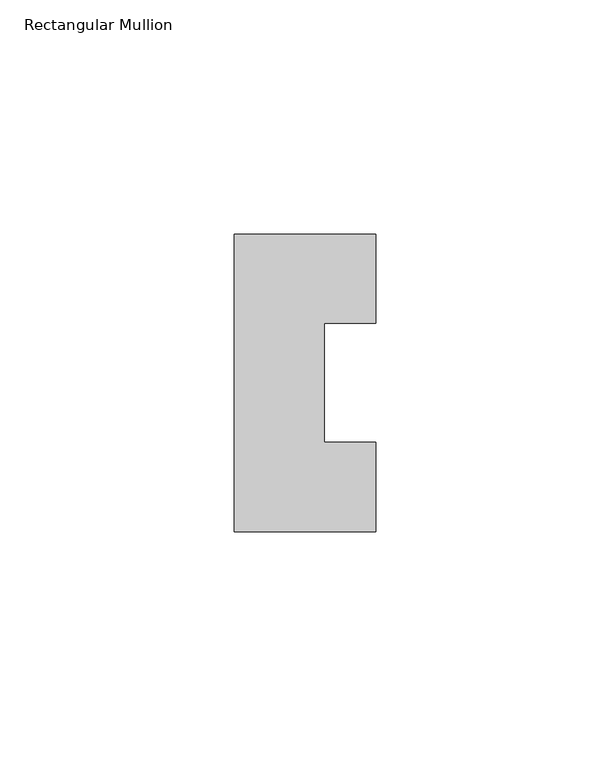
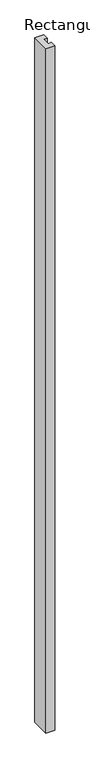
"""IFC4 building model written with IfcOpenShell, lengths in millimetres: member geometry, Rectangular Mullion."""

import ifcopenshell
import ifcopenshell.guid

model = None  # the IFC model being written
_history = None  # IfcOwnerHistory: only IFC2X3 demands one
_inside = {}  # id of a spatial element -> (the spatial element, [elements in it])
_under = {}  # id of a project, library or spatial element -> (it, [spatial elements below it])
_declared = {}  # id of a project -> (the project, [libraries it declares])
_typed = {}  # id of a type object -> (the type object, [elements of that type])
_made_of = {}  # id of a material, layer set ... -> (it, [elements and type objects made of it])


def new_model(schema):
    """Start an empty IFC model of exactly this schema.

    Asked for "IFC4X3", IfcOpenShell would pick the latest addendum, in which some entities
    have other attributes; the version numbers below select the first issue.
    IFC2X3 requires an IfcOwnerHistory on every rooted entity: one is made here for all.
    """
    global model, _history
    if schema == "IFC4X3":
        model = ifcopenshell.file(schema_version=(4, 3, 0, 0))
    else:
        model = ifcopenshell.file(schema=schema)
    _inside.clear()
    _under.clear()
    _declared.clear()
    _typed.clear()
    _made_of.clear()
    _history = None
    if model.schema == "IFC2X3":
        org = make("IfcOrganization", Name="unknown")
        user = make(
            "IfcPersonAndOrganization",
            ThePerson=make("IfcPerson", FamilyName="unknown"),
            TheOrganization=org,
        )
        app = make(
            "IfcApplication",
            ApplicationDeveloper=org,
            Version="unknown",
            ApplicationFullName="unknown",
            ApplicationIdentifier="unknown",
        )
        _history = make(
            "IfcOwnerHistory",
            OwningUser=user,
            OwningApplication=app,
            ChangeAction="ADDED",
            CreationDate=0,
        )
    return model


def make(cls, **values):
    """One entity of the class cls with the attributes given. An attribute that is None is left unset."""
    return model.create_entity(
        cls, **{name: value for name, value in values.items() if value is not None}
    )


def rooted(cls, **values):
    """An entity with a GlobalId (a new one), such as an element, a storey or a relation."""
    return make(cls, GlobalId=ifcopenshell.guid.new(), OwnerHistory=_history, **values)


def si_unit(unit_type, name, prefix=None):
    """IfcSIUnit, for example si_unit("LENGTHUNIT", "METRE", prefix="MILLI")."""
    return make("IfcSIUnit", UnitType=unit_type, Prefix=prefix, Name=name)


def assignment(units):
    """IfcUnitAssignment: the units of a project."""
    return None if units is None else make("IfcUnitAssignment", Units=units)


def point(xyz):
    """IfcCartesianPoint."""
    return None if xyz is None else make("IfcCartesianPoint", Coordinates=xyz)


def direction(xyz):
    """IfcDirection."""
    return None if xyz is None else make("IfcDirection", DirectionRatios=xyz)


def frame(location, z_axis=None, x_axis=None):
    """IfcAxis2Placement3D, a coordinate frame: its origin and axes. An axis left out is left unset."""
    return make(
        "IfcAxis2Placement3D",
        Location=point(location),
        Axis=direction(z_axis),
        RefDirection=direction(x_axis),
    )


def origin():
    """The frame at (0, 0, 0) with its axes left unset."""
    return frame((0.0, 0.0, 0.0))


def place(relative_to, where):
    """IfcLocalPlacement: puts the frame where relative to a parent placement (None: the world)."""
    return make(
        "IfcLocalPlacement", PlacementRelTo=relative_to, RelativePlacement=where
    )


def context(
    kind, dimensions, precision=None, world=None, true_north=None, identifier=None
):
    """IfcGeometricRepresentationContext, for example the 3D "Model" context."""
    return make(
        "IfcGeometricRepresentationContext",
        ContextIdentifier=identifier,
        ContextType=kind,
        CoordinateSpaceDimension=dimensions,
        Precision=precision,
        WorldCoordinateSystem=world,
        TrueNorth=true_north,
    )


def project(units=None, contexts=None):
    """IfcProject with its units and contexts."""
    return rooted(
        "IfcProject",
        Name="project",
        RepresentationContexts=contexts,
        UnitsInContext=assignment(units),
    )


def spatial(cls, under=None, at=None, **own):
    """A site, building, storey or space (cls), placed at a placement, below another one or the project."""
    s = rooted(cls, ObjectPlacement=at, **own)
    if under is not None:
        _under.setdefault(under.id(), (under, []))[1].append(s)
    return s


def polyline(points):
    """IfcPolyline through the points."""
    return make("IfcPolyline", Points=[point(p) for p in points])


def outline(outer, holes=None, kind="AREA"):
    """IfcArbitraryClosedProfileDef: a profile drawn as a closed curve; with holes, ...WithVoids."""
    if holes is None:
        return make("IfcArbitraryClosedProfileDef", ProfileType=kind, OuterCurve=outer)
    return make(
        "IfcArbitraryProfileDefWithVoids",
        ProfileType=kind,
        OuterCurve=outer,
        InnerCurves=holes,
    )


def extrude(swept, where, along, depth):
    """IfcExtrudedAreaSolid: the profile swept, set in the frame where, extruded along a direction by depth."""
    return make(
        "IfcExtrudedAreaSolid",
        SweptArea=swept,
        Position=where,
        ExtrudedDirection=direction(along),
        Depth=depth,
    )


def shape(context_of_items, identifier, shape_type, items):
    """IfcShapeRepresentation: the items that make up one representation, for example the "Body"."""
    return make(
        "IfcShapeRepresentation",
        ContextOfItems=context_of_items,
        RepresentationIdentifier=identifier,
        RepresentationType=shape_type,
        Items=items,
    )


def source(mapping_origin, context_of_items, identifier, shape_type, items):
    """IfcRepresentationMap: a shape defined once, which mapped items show again and again."""
    return make(
        "IfcRepresentationMap",
        MappingOrigin=mapping_origin,
        MappedRepresentation=shape(context_of_items, identifier, shape_type, items),
    )


def transform(
    local_origin,
    x_axis=None,
    y_axis=None,
    z_axis=None,
    scale=None,
    scale2=None,
    scale3=None,
    uniform=True,
):
    """IfcCartesianTransformationOperator3D, or its non-uniform kind. x_axis, y_axis, z_axis: its Axis1, 2, 3."""
    if uniform:
        return make(
            "IfcCartesianTransformationOperator3D",
            Axis1=direction(x_axis),
            Axis2=direction(y_axis),
            LocalOrigin=point(local_origin),
            Scale=scale,
            Axis3=direction(z_axis),
        )
    return make(
        "IfcCartesianTransformationOperator3DnonUniform",
        Axis1=direction(x_axis),
        Axis2=direction(y_axis),
        LocalOrigin=point(local_origin),
        Scale=scale,
        Axis3=direction(z_axis),
        Scale2=scale2,
        Scale3=scale3,
    )


def mapped(mapping_source, mapping_target):
    """IfcMappedItem: shows the shape of a source again, moved by a transform."""
    return make(
        "IfcMappedItem", MappingSource=mapping_source, MappingTarget=mapping_target
    )


def made_of(thing, what):
    """Note that an element or type object is made of a material, layer set ...; save() writes the relation."""
    if what is not None:
        _made_of.setdefault(what.id(), (what, []))[1].append(thing)
    return thing


def element(
    cls,
    number,
    at=None,
    inside=None,
    cuts=None,
    type_object=None,
    material=None,
    context=None,
    identifier="Body",
    shape_type=None,
    held_by="IfcProductDefinitionShape",
    body=None,
    shapes=None,
    **own,
):
    """One element of the class cls, such as IfcWall. Its Tag is "e" and its number.

    at: its placement. inside: the storey or other place that contains it. cuts: it is an
    opening in that element (IfcRelVoidsElement). A single representation is given by context,
    identifier, shape_type and body (its items); several are given by shapes. held_by: the class
    of the entity that holds the representations. save() writes the other relations.
    """
    e = rooted(cls, Tag="e%d" % number, ObjectPlacement=at, **own)
    if body is not None:
        shapes = [shape(context, identifier, shape_type, body)]
    if shapes is not None:
        e.Representation = make(held_by, Representations=shapes)
    if inside is not None:
        _inside.setdefault(inside.id(), (inside, []))[1].append(e)
    if cuts is not None:
        rooted(
            "IfcRelVoidsElement", RelatingBuildingElement=cuts, RelatedOpeningElement=e
        )
    if type_object is not None:
        _typed.setdefault(type_object.id(), (type_object, []))[1].append(e)
    return made_of(e, material)


def aggregate(whole, parts):
    """IfcRelAggregates: a whole, such as a stair, and the parts it consists of."""
    return rooted("IfcRelAggregates", RelatingObject=whole, RelatedObjects=parts)


def save(model, path):
    """Write the relations noted so far, then the file.

    IfcRelAggregates (storeys below a building ...), IfcRelContainedInSpatialStructure (elements
    in a storey), IfcRelDefinesByType, IfcRelAssociatesMaterial and IfcRelDeclares: one each for
    every whole, place, type object, material and project.
    """
    for whole, parts in _under.values():
        aggregate(whole, parts)
    for where, things in _inside.values():
        rooted(
            "IfcRelContainedInSpatialStructure",
            RelatedElements=things,
            RelatingStructure=where,
        )
    for kind, things in _typed.values():
        rooted("IfcRelDefinesByType", RelatedObjects=things, RelatingType=kind)
    for what, things in _made_of.values():
        rooted("IfcRelAssociatesMaterial", RelatedObjects=things, RelatingMaterial=what)
    for by, libraries in _declared.values():
        rooted("IfcRelDeclares", RelatingContext=by, RelatedDefinitions=libraries)
    model.write(path)


def rectangular_mullion_27fc64d4(model_context):
    return source(origin(), model_context, "Body", "SweptSolid", [
        extrude(outline(polyline([(-15.1003, -31.7489583), (-15.1003, 31.7489583), (15.1003, 31.7489583), (15.1003, 12.7), (4.1378312, 12.7), (4.1378312, -12.7), (15.1003, -12.7), (15.1003, -31.7489583), (-15.1003, -31.7489583)])), frame((0.0, 0.0, -2451.1), z_axis=(0.0, 0.0, 1.0), x_axis=(1.0, 0.0, 0.0)), (0.0, 0.0, 1.0), 2451.1),
    ])


if __name__ == "__main__":
    model = new_model("IFC4")
    model_context = context("Model", 3, world=origin())
    ifc_project = project(units=[si_unit("LENGTHUNIT", "METRE", prefix="MILLI")], contexts=[model_context])
    site = spatial("IfcSite", under=ifc_project)
    building = spatial("IfcBuilding", under=site)
    placement = place(None, origin())
    rectangular_mullion_shape = rectangular_mullion_27fc64d4(model_context)
    element("IfcMember", 1, ObjectType="Rectangular Mullion", at=placement, inside=building, context=model_context, shape_type="MappedRepresentation", body=[
        mapped(rectangular_mullion_shape, transform((0.0, 0.0, 0.0), x_axis=(1.0, 0.0, 0.0), y_axis=(0.0, 1.0, 0.0), z_axis=(0.0, 0.0, 1.0))),
    ])
    save(model, "model.ifc")
